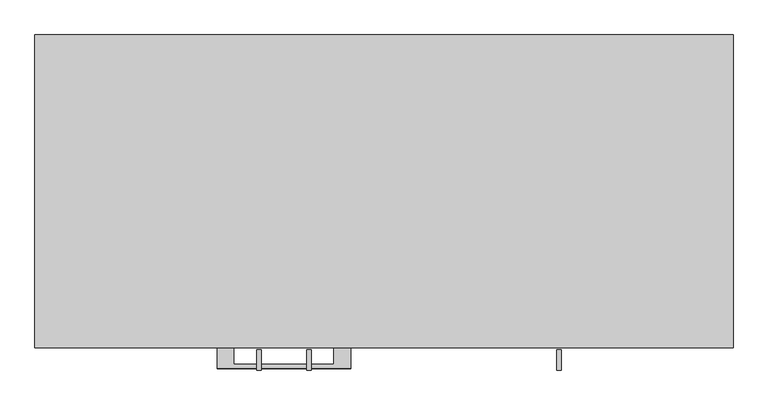
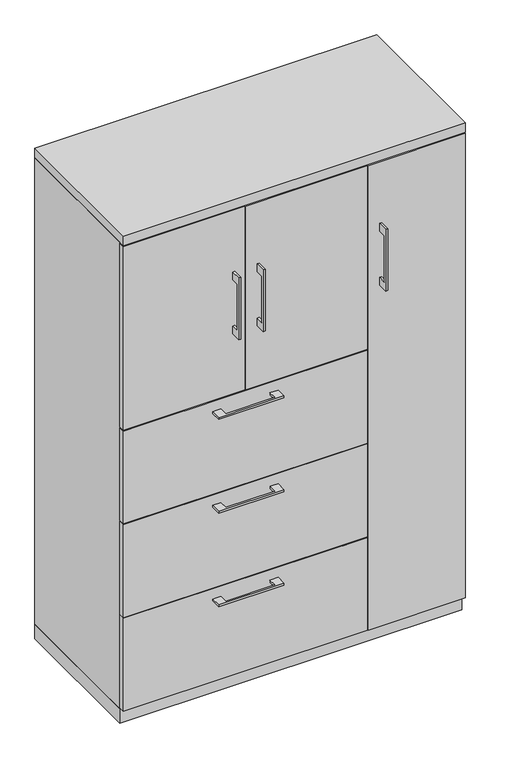
"""IFC4 building model written with IfcOpenShell, lengths in millimetres: furniture geometry."""

from ifc_helpers import new_model, si_unit, frame, origin, origin_with_axes, place, context, project, spatial, polyline, outline, extrude, source, transform, mapped, element, save


def furniture_158f57a4(model_context):
    return source(origin(), model_context, "Body", "SweptSolid", [
        extrude(outline(polyline([(-228.5999818, -476.25), (-228.5999818, -501.6499758), (-76.2, -501.6499758), (-76.2, -476.25), (-50.8000061, -476.25), (-50.8000061, -507.9999879), (-253.9999939, -507.9999879), (-253.9999939, -476.25), (-228.5999818, -476.25)])), frame((0.0, 0.0, 931.8625506), z_axis=(0.0, 0.0, 1.0), x_axis=(1.0, 0.0, 0.0)), (0.0, 0.0, 1.0), 6.3499758),
        extrude(outline(polyline([(227.0125, -457.2), (227.0125, -476.25), (-531.8125, -476.25), (-531.8125, -457.2), (227.0125, -457.2)])), frame((0.0, 0.0, 666.75), z_axis=(0.0, 0.0, 1.0), x_axis=(1.0, 0.0, 0.0)), (0.0, 0.0, 1.0), 304.8),
        extrude(outline(polyline([(-479.425, 1352.55), (-504.8249758, 1352.55), (-504.8249758, 1200.15), (-479.425, 1200.15), (-479.425, 1174.75), (-511.1749879, 1174.75), (-511.1749879, 1377.95), (-479.425, 1377.95), (-479.425, 1352.55)])), frame((-117.4749879, 0.0, 0.0), z_axis=(1.0, 0.0, 0.0), x_axis=(0.0, 1.0, 0.0)), (0.0, 0.0, 1.0), 6.3499758),
        extrude(outline(polyline([(227.0125, -476.25), (-150.8125, -476.25), (-150.8125, -457.2), (227.0125, -457.2), (227.0125, -476.25)])), frame((0.0, 0.0, 974.725), z_axis=(0.0, 0.0, 1.0), x_axis=(1.0, 0.0, 0.0)), (0.0, 0.0, 1.0), 603.25),
        extrude(outline(polyline([(-228.5999818, -476.25), (-228.5999818, -501.6499758), (-76.2, -501.6499758), (-76.2, -476.25), (-50.8000061, -476.25), (-50.8000061, -507.9999879), (-253.9999939, -507.9999879), (-253.9999939, -476.25), (-228.5999818, -476.25)])), frame((0.0, 0.0, 623.8875506), z_axis=(0.0, 0.0, 1.0), x_axis=(1.0, 0.0, 0.0)), (0.0, 0.0, 1.0), 6.3499758),
        extrude(outline(polyline([(227.0125, -457.2), (227.0125, -476.25), (-531.8125, -476.25), (-531.8125, -457.2), (227.0125, -457.2)])), frame((0.0, 0.0, 358.775), z_axis=(0.0, 0.0, 1.0), x_axis=(1.0, 0.0, 0.0)), (0.0, 0.0, 1.0), 304.8),
        extrude(outline(polyline([(-479.425, 1352.55), (-504.8249758, 1352.55), (-504.8249758, 1200.15), (-479.425, 1200.15), (-479.425, 1174.75), (-511.1749879, 1174.75), (-511.1749879, 1377.95), (-479.425, 1377.95), (-479.425, 1352.55)])), frame((-193.6749879, 0.0, 0.0), z_axis=(1.0, 0.0, 0.0), x_axis=(0.0, 1.0, 0.0)), (0.0, 0.0, 1.0), 6.3499758),
        extrude(outline(polyline([(-531.8125, -476.25), (-531.8125, -457.2), (-153.9875, -457.2), (-153.9875, -476.25), (-531.8125, -476.25)])), frame((0.0, 0.0, 974.725), z_axis=(0.0, 0.0, 1.0), x_axis=(1.0, 0.0, 0.0)), (0.0, 0.0, 1.0), 603.25),
        extrude(outline(polyline([(-479.425, 1352.55), (-504.8249758, 1352.55), (-504.8249758, 1200.15), (-479.425, 1200.15), (-479.425, 1174.75), (-511.1749879, 1174.75), (-511.1749879, 1377.95), (-479.425, 1377.95), (-479.425, 1352.55)])), frame((263.5250121, 0.0, 0.0), z_axis=(1.0, 0.0, 0.0), x_axis=(0.0, 1.0, 0.0)), (0.0, 0.0, 1.0), 6.3499758),
        extrude(outline(polyline([(531.8125, -476.25), (230.1875, -476.25), (230.1875, -457.2), (531.8125, -457.2), (531.8125, -476.25)])), frame((0.0, 0.0, 50.8), z_axis=(0.0, 0.0, 1.0), x_axis=(1.0, 0.0, 0.0)), (0.0, 0.0, 1.0), 1527.175),
        extrude(outline(polyline([(-228.5999818, -476.25), (-228.5999818, -501.6499758), (-76.2, -501.6499758), (-76.2, -476.25), (-50.8000061, -476.25), (-50.8000061, -507.9999879), (-253.9999939, -507.9999879), (-253.9999939, -476.25), (-228.5999818, -476.25)])), frame((0.0, 0.0, 315.9125506), z_axis=(0.0, 0.0, 1.0), x_axis=(1.0, 0.0, 0.0)), (0.0, 0.0, 1.0), 6.3499758),
        extrude(outline(polyline([(227.0125, -457.2), (227.0125, -476.25), (-531.8125, -476.25), (-531.8125, -457.2), (227.0125, -457.2)])), frame((0.0, 0.0, 50.8), z_axis=(0.0, 0.0, 1.0), x_axis=(1.0, 0.0, 0.0)), (0.0, 0.0, 1.0), 304.8),
        extrude(outline(polyline([(227.0125, -19.05), (227.0125, -457.2), (207.9625, -457.2), (207.9625, -19.05), (227.0125, -19.05)])), frame((0.0, 0.0, 47.625), z_axis=(0.0, 0.0, 1.0), x_axis=(1.0, 0.0, 0.0)), (0.0, 0.0, 1.0), 1533.525),
        extrude(outline(polyline([(531.8125, 0.0), (531.8125, -457.2), (512.7625, -457.2), (512.7625, -19.05), (-512.7625, -19.05), (-512.7625, -457.2), (-531.8125, -457.2), (-531.8125, 0.0), (531.8125, 0.0)])), frame((0.0, 0.0, 47.625), z_axis=(0.0, 0.0, 1.0), x_axis=(1.0, 0.0, 0.0)), (0.0, 0.0, 1.0), 1533.525),
        extrude(outline(polyline([(531.8125, 0.0), (531.8125, -476.25), (-531.8125, -476.25), (-531.8125, 0.0), (531.8125, 0.0)])), frame((0.0, 0.0, 1581.15), z_axis=(0.0, 0.0, 1.0), x_axis=(1.0, 0.0, 0.0)), (0.0, 0.0, 1.0), 31.75),
        extrude(outline(polyline([(531.8125, 0.0), (531.8125, -457.2), (-531.8125, -457.2), (-531.8125, 0.0), (531.8125, 0.0)])), origin_with_axes(), (0.0, 0.0, 1.0), 47.625),
    ])


if __name__ == "__main__":
    model = new_model("IFC4")
    model_context = context("Model", 3, world=origin())
    ifc_project = project(units=[si_unit("LENGTHUNIT", "METRE", prefix="MILLI")], contexts=[model_context])
    site = spatial("IfcSite", under=ifc_project)
    building = spatial("IfcBuilding", under=site)
    placement = place(None, origin())
    furniture_shape = furniture_158f57a4(model_context)
    element("IfcFurniture", 1, at=placement, inside=building, context=model_context, shape_type="MappedRepresentation", body=[
        mapped(furniture_shape, transform((0.0, 0.0, 0.0), x_axis=(1.0, 0.0, 0.0), y_axis=(0.0, 1.0, 0.0), z_axis=(0.0, 0.0, 1.0))),
    ])
    save(model, "model.ifc")
